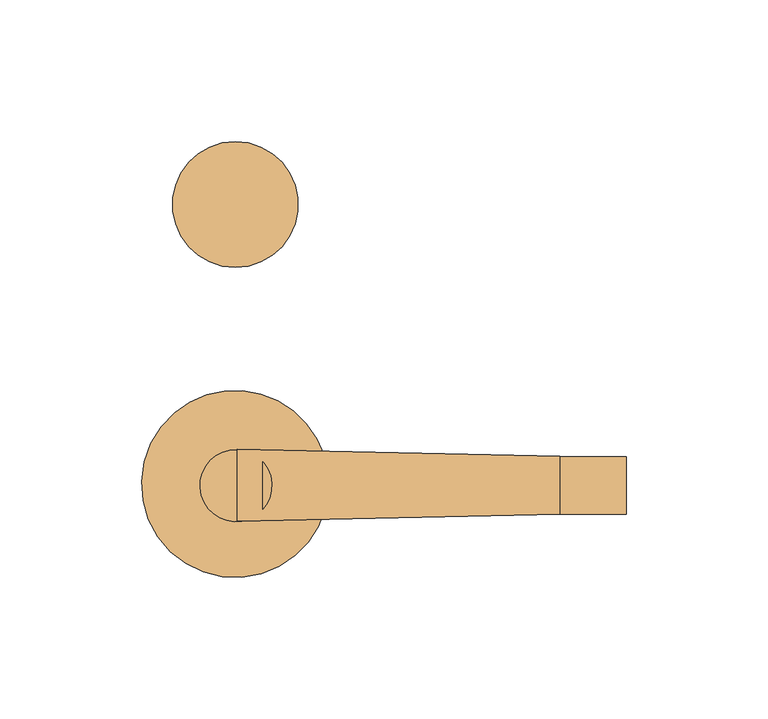
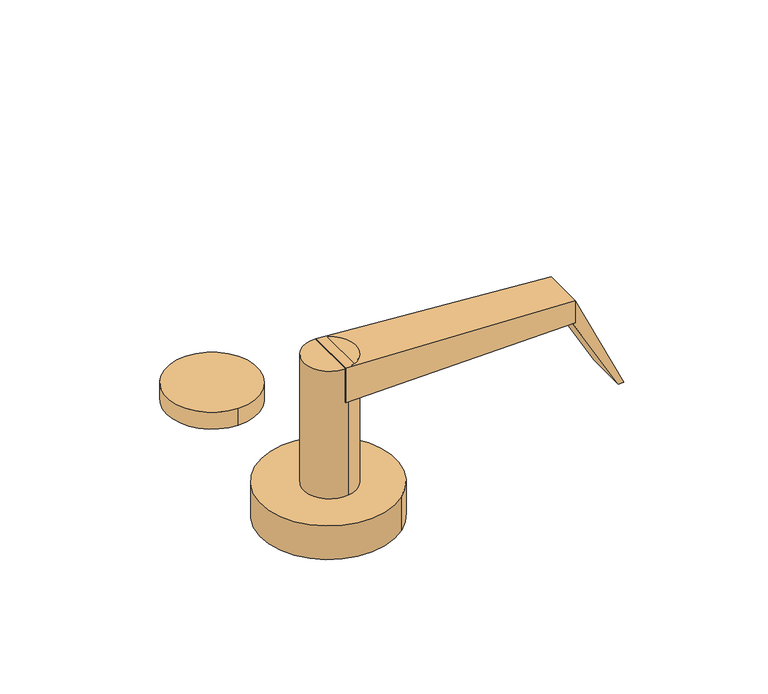
"""IFC4 building model written with IfcOpenShell, lengths in millimetres: door geometry."""

from ifc_helpers import new_model, si_unit, point, frame, frame_2d, origin, origin_with_axes, place, context, project, spatial, polyline, circle_curve, trimmed, segment, composite_curve, outline, extrude, source, transform, mapped, element, save
from ifc_brep_helpers import plane_surface, spline_surface, advanced_brep


def door_373dd451(model_context):
    return source(origin(), model_context, "Body", "SolidModel", [
        extrude(outline(composite_curve([segment(trimmed(circle_curve(frame_2d((-1.5048449, 99.4936932)), 22.212872), [point((-1.5048449, 121.7065651))], [point((-1.5048449, 77.2808212))], False, "CARTESIAN"), True, "CONTINUOUS"), segment(trimmed(circle_curve(frame_2d((-1.5048449, 99.4936932)), 22.212872), [point((-1.5048449, 77.2808212))], [point((-1.5048449, 121.7065651))], False, "CARTESIAN"), True, "CONTINUOUS")], self_intersect=False)), origin_with_axes(), (0.0, 0.0, 1.0), 8.636),
        advanced_brep(
        [(113.0826159, -9.8661661, 77.089), (113.0826159, -9.8661661, 65.659), (113.0826159, 10.4783486, 65.659), (113.0826159, 10.4783486, 77.089), (-0.79375, -12.3783123, 83.439), (-0.79375, 13.0118705, 83.439), (-0.79375, 13.0089229, 65.659), (-0.79375, -12.378509, 65.659)],
        [
            (0, 1),
            (1, 2),
            (2, 3),
            (3, 0),
            (4, 5),
            (5, 6),
            (6, 7),
            (7, 4),
            (7, 1),
            (0, 4),
            (6, 2),
            (5, 3),
        ],
        [
            plane_surface(frame((113.0826159, 0.3060912, 71.374), z_axis=(1.0, 0.0, 0.0), x_axis=(0.0, -1.0, 0.0))),
            plane_surface(frame((-0.79375, 0.315993, 74.549), z_axis=(-1.0000000000000002, 0.0, 0.0), x_axis=(0.0, -1.1064247386625775e-05, -0.9999999999387913))),
            spline_surface(1, 1, [[(-0.79375, -12.3783123, 83.439), (113.0826159, -9.8661661, 77.089)], [(-0.79375, -12.378509, 65.659), (113.0826159, -9.8661661, 65.659)]], [2, 2], [2, 2], [0.0, 1.0], [0.0, 1.0]),
            plane_surface(frame((-0.79375, 0.315207, 65.659), z_axis=(0.0, 0.0, -1.0), x_axis=(0.0, 1.0, 0.0))),
            spline_surface(1, 1, [[(-0.79375, 13.0089229, 65.659), (113.0826159, 10.4783486, 65.659)], [(-0.79375, 13.0118705, 83.439), (113.0826159, 10.4783486, 77.089)]], [2, 2], [2, 2], [0.0, 1.0], [0.0, 1.0]),
            plane_surface(frame((-0.79375, 0.3167791, 83.439), z_axis=(0.05567573642750613, 0.0, 0.9984489032360419), x_axis=(0.0, -1.0, 0.0))),
        ],
        [
            (0, [[1, 2, 3, 4]]),
            (1, [[5, 6, 7, 8]]),
            (2, [[-8, 9, -1, 10]]),
            (3, [[-7, 11, -2, -9]]),
            (4, [[-6, 12, -3, -11]]),
            (5, [[-5, -10, -4, -12]]),
        ],
    ),
        extrude(outline(composite_curve([segment(trimmed(circle_curve(frame_2d((-1.3064074, 0.1984375)), 12.7), [point((-3.427265, 12.7200973))], [point((0.8144502, -12.3232223))], False, "CARTESIAN"), True, "CONTINUOUS"), segment(trimmed(circle_curve(frame_2d((-1.3064074, 0.1984375)), 12.7), [point((0.8144502, -12.3232223))], [point((-3.427265, 12.7200973))], False, "CARTESIAN"), True, "CONTINUOUS")], self_intersect=False)), frame((0.0, 0.0, 17.399), z_axis=(0.0, 0.0, 1.0), x_axis=(1.0, 0.0, 0.0)), (0.0, 0.0, 1.0), 66.04),
        extrude(outline(composite_curve([segment(trimmed(circle_curve(frame_2d((-1.6178614, 0.7745191)), 33.02), [point((-22.9508261, 25.9781898))], [point((19.7151032, -24.4291516))], False, "CARTESIAN"), True, "CONTINUOUS"), segment(trimmed(circle_curve(frame_2d((-1.6178614, 0.7745191)), 33.02), [point((19.7151032, -24.4291516))], [point((-22.9508261, 25.9781898))], False, "CARTESIAN"), True, "CONTINUOUS")], self_intersect=False)), origin_with_axes(), (0.0, 0.0, 1.0), 17.399),
        extrude(outline(polyline([(77.089, 113.0826159), (65.659, 113.0826159), (65.659, 111.7545147), (26.5862634, 134.0924288), (26.5862634, 136.6324288), (77.089, 113.0826159)])), frame((0.0, -9.8416514, 0.0), z_axis=(0.0, 1.0, 0.0), x_axis=(0.0, 0.0, 1.0)), (0.0, 0.0, 1.0), 20.32),
    ])


if __name__ == "__main__":
    model = new_model("IFC4")
    model_context = context("Model", 3, world=origin())
    ifc_project = project(units=[si_unit("LENGTHUNIT", "METRE", prefix="MILLI")], contexts=[model_context])
    site = spatial("IfcSite", under=ifc_project)
    building = spatial("IfcBuilding", under=site)
    placement = place(None, origin())
    door_shape = door_373dd451(model_context)
    element("IfcDoor", 1, at=placement, inside=building, context=model_context, shape_type="MappedRepresentation", body=[
        mapped(door_shape, transform((0.0, 0.0, 0.0), x_axis=(1.0, 0.0, 0.0), y_axis=(0.0, 1.0, 0.0), z_axis=(0.0, 0.0, 1.0))),
    ])
    save(model, "model.ifc")
